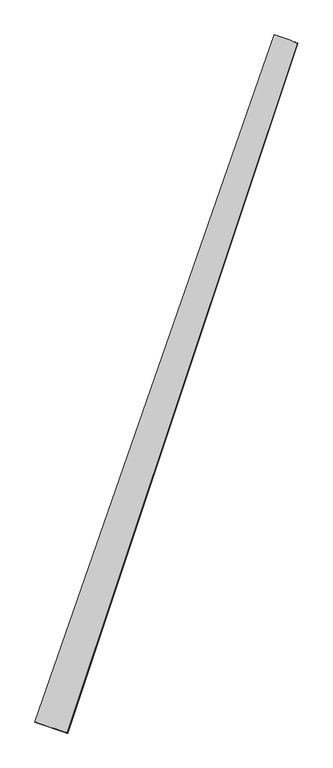
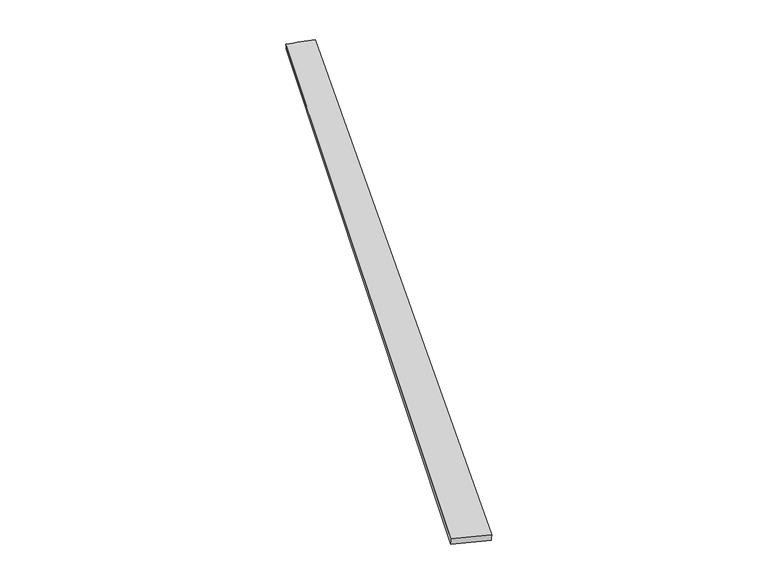
"""IFC4 building model written with IfcOpenShell, lengths in millimetres: proxy geometry."""

from ifc_helpers import new_model, si_unit, origin, place, context, project, spatial, source, transform, mapped, element, save
from ifc_brep_helpers import spline_surface, advanced_brep


def generic_models_d3b09fdf(model_context):
    return source(origin(), model_context, "Body", "AdvancedBrep", [
        advanced_brep(
        [(-664.5836363, -1683.6118786, 1.9810434), (-665.2382993, -1683.3461222, 31.972722), (659.3379315, 2116.6059344, 27.1821541), (661.3040468, 2115.8826088, -2.7446097), (-484.5876112, -1744.4617209, 27.9586422), (789.2471827, 2071.6552122, 32.7423706), (-486.3700761, -1743.8284993, -1.9816626), (789.6496657, 2071.5577691, 2.7452289)],
        [
            (0, 1),
            (1, 2),
            (2, 3),
            (3, 0),
            (1, 4),
            (4, 5),
            (5, 2),
            (4, 6),
            (6, 7),
            (7, 5),
            (6, 0),
            (3, 7),
        ],
        [
            spline_surface(1, 1, [[(-664.5836363, -1683.6118786, 1.9810434), (661.3040468, 2115.8826088, -2.7446097)], [(-665.2382993, -1683.3461222, 31.972722), (659.3379315, 2116.6059344, 27.1821541)]], [2, 2], [2, 2], [0.0, 1.0], [0.0, 1.0]),
            spline_surface(1, 1, [[(-665.2382993, -1683.3461222, 31.972722), (659.3379315, 2116.6059344, 27.1821541)], [(-484.5876112, -1744.4617209, 27.9586422), (789.2471827, 2071.6552122, 32.7423706)]], [2, 2], [2, 2], [0.0, 1.0], [0.0, 1.0]),
            spline_surface(1, 1, [[(-484.5876112, -1744.4617209, 27.9586422), (789.2471827, 2071.6552122, 32.7423706)], [(-486.3700761, -1743.8284993, -1.9816626), (789.6496657, 2071.5577691, 2.7452289)]], [2, 2], [2, 2], [0.0, 1.0], [0.0, 1.0]),
            spline_surface(1, 1, [[(-486.3700761, -1743.8284993, -1.9816626), (789.6496657, 2071.5577691, 2.7452289)], [(-664.5836363, -1683.6118786, 1.9810434), (661.3040468, 2115.8826088, -2.7446097)]], [2, 2], [2, 2], [0.0, 1.0], [0.0, 1.0]),
            spline_surface(1, 1, [[(659.3379315, 2116.6059344, 27.1821541), (661.3040468, 2115.8826088, -2.7446097)], [(789.2471827, 2071.6552122, 32.7423706), (789.6496657, 2071.5577691, 2.7452289)]], [2, 2], [2, 2], [0.0, 1.0], [0.0, 1.0]),
            spline_surface(1, 1, [[(-486.3700761, -1743.8284993, -1.9816626), (-664.5836363, -1683.6118786, 1.9810434)], [(-484.5876112, -1744.4617209, 27.9586422), (-665.2382993, -1683.3461222, 31.972722)]], [2, 2], [2, 2], [0.0, 1.0], [0.0, 1.0]),
        ],
        [
            (0, [[1, 2, 3, 4]]),
            (1, [[5, 6, 7, -2]]),
            (2, [[8, 9, 10, -6]]),
            (3, [[11, -4, 12, -9]]),
            (4, [[-3, -7, -10, -12]]),
            (5, [[-11, -8, -5, -1]]),
        ],
    ),
    ])


if __name__ == "__main__":
    model = new_model("IFC4")
    model_context = context("Model", 3, world=origin())
    ifc_project = project(units=[si_unit("LENGTHUNIT", "METRE", prefix="MILLI")], contexts=[model_context])
    site = spatial("IfcSite", under=ifc_project)
    building = spatial("IfcBuilding", under=site)
    placement = place(None, origin())
    generic_models_shape = generic_models_d3b09fdf(model_context)
    element("IfcBuildingElementProxy", 1, Name="Generic Models", at=placement, inside=building, context=model_context, shape_type="MappedRepresentation", body=[
        mapped(generic_models_shape, transform((0.0, 0.0, 0.0), x_axis=(1.0, 0.0, 0.0), y_axis=(0.0, 1.0, 0.0), z_axis=(0.0, 0.0, 1.0))),
    ])
    save(model, "model.ifc")
